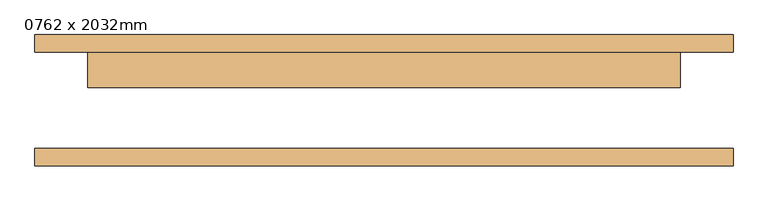
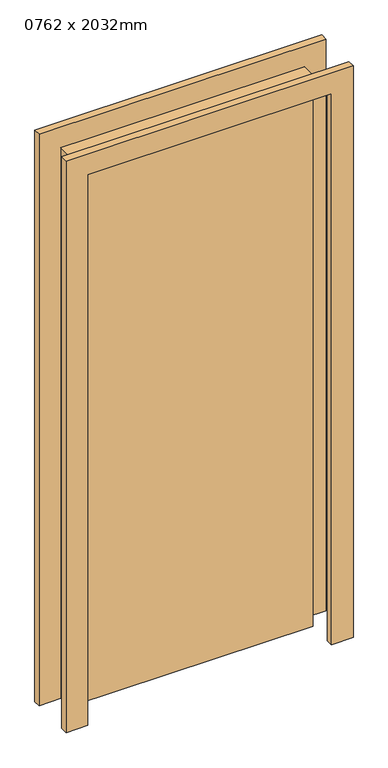
"""IFC4 building model written with IfcOpenShell, lengths in millimetres: door geometry, 0762 x 2032mm."""

import ifcopenshell
import ifcopenshell.guid

model = None  # the IFC model being written
_history = None  # IfcOwnerHistory: only IFC2X3 demands one
_inside = {}  # id of a spatial element -> (the spatial element, [elements in it])
_under = {}  # id of a project, library or spatial element -> (it, [spatial elements below it])
_declared = {}  # id of a project -> (the project, [libraries it declares])
_typed = {}  # id of a type object -> (the type object, [elements of that type])
_made_of = {}  # id of a material, layer set ... -> (it, [elements and type objects made of it])


def new_model(schema):
    """Start an empty IFC model of exactly this schema.

    Asked for "IFC4X3", IfcOpenShell would pick the latest addendum, in which some entities
    have other attributes; the version numbers below select the first issue.
    IFC2X3 requires an IfcOwnerHistory on every rooted entity: one is made here for all.
    """
    global model, _history
    if schema == "IFC4X3":
        model = ifcopenshell.file(schema_version=(4, 3, 0, 0))
    else:
        model = ifcopenshell.file(schema=schema)
    _inside.clear()
    _under.clear()
    _declared.clear()
    _typed.clear()
    _made_of.clear()
    _history = None
    if model.schema == "IFC2X3":
        org = make("IfcOrganization", Name="unknown")
        user = make(
            "IfcPersonAndOrganization",
            ThePerson=make("IfcPerson", FamilyName="unknown"),
            TheOrganization=org,
        )
        app = make(
            "IfcApplication",
            ApplicationDeveloper=org,
            Version="unknown",
            ApplicationFullName="unknown",
            ApplicationIdentifier="unknown",
        )
        _history = make(
            "IfcOwnerHistory",
            OwningUser=user,
            OwningApplication=app,
            ChangeAction="ADDED",
            CreationDate=0,
        )
    return model


def make(cls, **values):
    """One entity of the class cls with the attributes given. An attribute that is None is left unset."""
    return model.create_entity(
        cls, **{name: value for name, value in values.items() if value is not None}
    )


def rooted(cls, **values):
    """An entity with a GlobalId (a new one), such as an element, a storey or a relation."""
    return make(cls, GlobalId=ifcopenshell.guid.new(), OwnerHistory=_history, **values)


def si_unit(unit_type, name, prefix=None):
    """IfcSIUnit, for example si_unit("LENGTHUNIT", "METRE", prefix="MILLI")."""
    return make("IfcSIUnit", UnitType=unit_type, Prefix=prefix, Name=name)


def assignment(units):
    """IfcUnitAssignment: the units of a project."""
    return None if units is None else make("IfcUnitAssignment", Units=units)


def point(xyz):
    """IfcCartesianPoint."""
    return None if xyz is None else make("IfcCartesianPoint", Coordinates=xyz)


def direction(xyz):
    """IfcDirection."""
    return None if xyz is None else make("IfcDirection", DirectionRatios=xyz)


def frame(location, z_axis=None, x_axis=None):
    """IfcAxis2Placement3D, a coordinate frame: its origin and axes. An axis left out is left unset."""
    return make(
        "IfcAxis2Placement3D",
        Location=point(location),
        Axis=direction(z_axis),
        RefDirection=direction(x_axis),
    )


def origin():
    """The frame at (0, 0, 0) with its axes left unset."""
    return frame((0.0, 0.0, 0.0))


def origin_with_axes():
    """The frame at (0, 0, 0) with the z axis (0, 0, 1) and the x axis (1, 0, 0) written out."""
    return frame((0.0, 0.0, 0.0), z_axis=(0.0, 0.0, 1.0), x_axis=(1.0, 0.0, 0.0))


def place(relative_to, where):
    """IfcLocalPlacement: puts the frame where relative to a parent placement (None: the world)."""
    return make(
        "IfcLocalPlacement", PlacementRelTo=relative_to, RelativePlacement=where
    )


def context(
    kind, dimensions, precision=None, world=None, true_north=None, identifier=None
):
    """IfcGeometricRepresentationContext, for example the 3D "Model" context."""
    return make(
        "IfcGeometricRepresentationContext",
        ContextIdentifier=identifier,
        ContextType=kind,
        CoordinateSpaceDimension=dimensions,
        Precision=precision,
        WorldCoordinateSystem=world,
        TrueNorth=true_north,
    )


def project(units=None, contexts=None):
    """IfcProject with its units and contexts."""
    return rooted(
        "IfcProject",
        Name="project",
        RepresentationContexts=contexts,
        UnitsInContext=assignment(units),
    )


def spatial(cls, under=None, at=None, **own):
    """A site, building, storey or space (cls), placed at a placement, below another one or the project."""
    s = rooted(cls, ObjectPlacement=at, **own)
    if under is not None:
        _under.setdefault(under.id(), (under, []))[1].append(s)
    return s


def polyline(points):
    """IfcPolyline through the points."""
    return make("IfcPolyline", Points=[point(p) for p in points])


def outline(outer, holes=None, kind="AREA"):
    """IfcArbitraryClosedProfileDef: a profile drawn as a closed curve; with holes, ...WithVoids."""
    if holes is None:
        return make("IfcArbitraryClosedProfileDef", ProfileType=kind, OuterCurve=outer)
    return make(
        "IfcArbitraryProfileDefWithVoids",
        ProfileType=kind,
        OuterCurve=outer,
        InnerCurves=holes,
    )


def extrude(swept, where, along, depth):
    """IfcExtrudedAreaSolid: the profile swept, set in the frame where, extruded along a direction by depth."""
    return make(
        "IfcExtrudedAreaSolid",
        SweptArea=swept,
        Position=where,
        ExtrudedDirection=direction(along),
        Depth=depth,
    )


def shape(context_of_items, identifier, shape_type, items):
    """IfcShapeRepresentation: the items that make up one representation, for example the "Body"."""
    return make(
        "IfcShapeRepresentation",
        ContextOfItems=context_of_items,
        RepresentationIdentifier=identifier,
        RepresentationType=shape_type,
        Items=items,
    )


def source(mapping_origin, context_of_items, identifier, shape_type, items):
    """IfcRepresentationMap: a shape defined once, which mapped items show again and again."""
    return make(
        "IfcRepresentationMap",
        MappingOrigin=mapping_origin,
        MappedRepresentation=shape(context_of_items, identifier, shape_type, items),
    )


def transform(
    local_origin,
    x_axis=None,
    y_axis=None,
    z_axis=None,
    scale=None,
    scale2=None,
    scale3=None,
    uniform=True,
):
    """IfcCartesianTransformationOperator3D, or its non-uniform kind. x_axis, y_axis, z_axis: its Axis1, 2, 3."""
    if uniform:
        return make(
            "IfcCartesianTransformationOperator3D",
            Axis1=direction(x_axis),
            Axis2=direction(y_axis),
            LocalOrigin=point(local_origin),
            Scale=scale,
            Axis3=direction(z_axis),
        )
    return make(
        "IfcCartesianTransformationOperator3DnonUniform",
        Axis1=direction(x_axis),
        Axis2=direction(y_axis),
        LocalOrigin=point(local_origin),
        Scale=scale,
        Axis3=direction(z_axis),
        Scale2=scale2,
        Scale3=scale3,
    )


def mapped(mapping_source, mapping_target):
    """IfcMappedItem: shows the shape of a source again, moved by a transform."""
    return make(
        "IfcMappedItem", MappingSource=mapping_source, MappingTarget=mapping_target
    )


def made_of(thing, what):
    """Note that an element or type object is made of a material, layer set ...; save() writes the relation."""
    if what is not None:
        _made_of.setdefault(what.id(), (what, []))[1].append(thing)
    return thing


def element(
    cls,
    number,
    at=None,
    inside=None,
    cuts=None,
    type_object=None,
    material=None,
    context=None,
    identifier="Body",
    shape_type=None,
    held_by="IfcProductDefinitionShape",
    body=None,
    shapes=None,
    **own,
):
    """One element of the class cls, such as IfcWall. Its Tag is "e" and its number.

    at: its placement. inside: the storey or other place that contains it. cuts: it is an
    opening in that element (IfcRelVoidsElement). A single representation is given by context,
    identifier, shape_type and body (its items); several are given by shapes. held_by: the class
    of the entity that holds the representations. save() writes the other relations.
    """
    e = rooted(cls, Tag="e%d" % number, ObjectPlacement=at, **own)
    if body is not None:
        shapes = [shape(context, identifier, shape_type, body)]
    if shapes is not None:
        e.Representation = make(held_by, Representations=shapes)
    if inside is not None:
        _inside.setdefault(inside.id(), (inside, []))[1].append(e)
    if cuts is not None:
        rooted(
            "IfcRelVoidsElement", RelatingBuildingElement=cuts, RelatedOpeningElement=e
        )
    if type_object is not None:
        _typed.setdefault(type_object.id(), (type_object, []))[1].append(e)
    return made_of(e, material)


def aggregate(whole, parts):
    """IfcRelAggregates: a whole, such as a stair, and the parts it consists of."""
    return rooted("IfcRelAggregates", RelatingObject=whole, RelatedObjects=parts)


def save(model, path):
    """Write the relations noted so far, then the file.

    IfcRelAggregates (storeys below a building ...), IfcRelContainedInSpatialStructure (elements
    in a storey), IfcRelDefinesByType, IfcRelAssociatesMaterial and IfcRelDeclares: one each for
    every whole, place, type object, material and project.
    """
    for whole, parts in _under.values():
        aggregate(whole, parts)
    for where, things in _inside.values():
        rooted(
            "IfcRelContainedInSpatialStructure",
            RelatedElements=things,
            RelatingStructure=where,
        )
    for kind, things in _typed.values():
        rooted("IfcRelDefinesByType", RelatedObjects=things, RelatingType=kind)
    for what, things in _made_of.values():
        rooted("IfcRelAssociatesMaterial", RelatedObjects=things, RelatingMaterial=what)
    for by, libraries in _declared.values():
        rooted("IfcRelDeclares", RelatingContext=by, RelatedDefinitions=libraries)
    model.write(path)


def door_0762_x_2032mm_fa767e9e(model_context):
    return source(origin(), model_context, "Body", "SweptSolid", [
        extrude(outline(polyline([(2108.0, -501.0), (0.0, -501.0), (0.0, -425.0), (2032.0, -425.0), (2032.0, 425.0), (0.0, 425.0), (0.0, 501.0), (2108.0, 501.0), (2108.0, -501.0)])), frame((0.0, 69.25, 0.0), z_axis=(0.0, 1.0, 0.0), x_axis=(0.0, 0.0, 1.0)), (0.0, 0.0, 1.0), 25.0),
        extrude(outline(polyline([(2108.0, 501.0), (2108.0, -501.0), (0.0, -501.0), (0.0, -425.0), (2032.0, -425.0), (2032.0, 425.0), (0.0, 425.0), (0.0, 501.0), (2108.0, 501.0)])), frame((0.0, -94.25, 0.0), z_axis=(0.0, 1.0, 0.0), x_axis=(0.0, 0.0, 1.0)), (0.0, 0.0, 1.0), 25.0),
        extrude(outline(polyline([(425.0, 18.25), (-425.0, 18.25), (-425.0, 69.25), (425.0, 69.25), (425.0, 18.25)])), origin_with_axes(), (0.0, 0.0, 1.0), 2032.0),
    ])


if __name__ == "__main__":
    model = new_model("IFC4")
    model_context = context("Model", 3, world=origin())
    ifc_project = project(units=[si_unit("LENGTHUNIT", "METRE", prefix="MILLI")], contexts=[model_context])
    site = spatial("IfcSite", under=ifc_project)
    building = spatial("IfcBuilding", under=site)
    placement = place(None, origin())
    door_0762_x_2032mm_shape = door_0762_x_2032mm_fa767e9e(model_context)
    element("IfcDoor", 1, ObjectType="0762 x 2032mm", at=placement, inside=building, context=model_context, shape_type="MappedRepresentation", body=[
        mapped(door_0762_x_2032mm_shape, transform((0.0, 0.0, 0.0), x_axis=(1.0, 0.0, 0.0), y_axis=(0.0, 1.0, 0.0), z_axis=(0.0, 0.0, 1.0))),
    ])
    save(model, "model.ifc")
